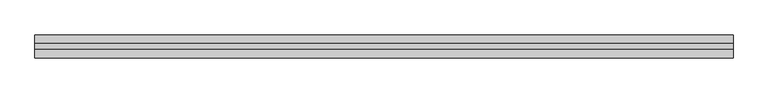
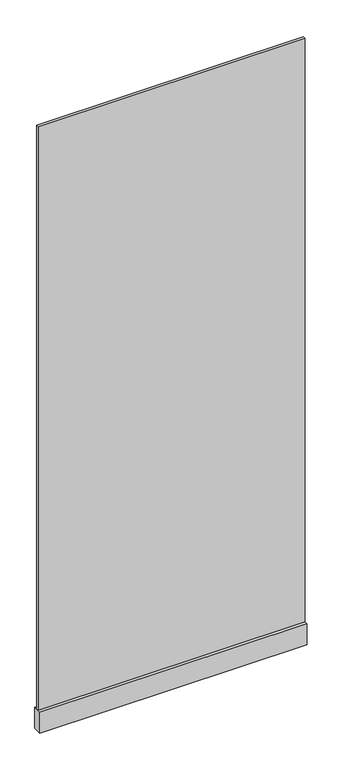
"""IFC4 building model written with IfcOpenShell, lengths in millimetres: plate geometry."""

import ifcopenshell
import ifcopenshell.guid

model = None  # the IFC model being written
_history = None  # IfcOwnerHistory: only IFC2X3 demands one
_inside = {}  # id of a spatial element -> (the spatial element, [elements in it])
_under = {}  # id of a project, library or spatial element -> (it, [spatial elements below it])
_declared = {}  # id of a project -> (the project, [libraries it declares])
_typed = {}  # id of a type object -> (the type object, [elements of that type])
_made_of = {}  # id of a material, layer set ... -> (it, [elements and type objects made of it])


def new_model(schema):
    """Start an empty IFC model of exactly this schema.

    Asked for "IFC4X3", IfcOpenShell would pick the latest addendum, in which some entities
    have other attributes; the version numbers below select the first issue.
    IFC2X3 requires an IfcOwnerHistory on every rooted entity: one is made here for all.
    """
    global model, _history
    if schema == "IFC4X3":
        model = ifcopenshell.file(schema_version=(4, 3, 0, 0))
    else:
        model = ifcopenshell.file(schema=schema)
    _inside.clear()
    _under.clear()
    _declared.clear()
    _typed.clear()
    _made_of.clear()
    _history = None
    if model.schema == "IFC2X3":
        org = make("IfcOrganization", Name="unknown")
        user = make(
            "IfcPersonAndOrganization",
            ThePerson=make("IfcPerson", FamilyName="unknown"),
            TheOrganization=org,
        )
        app = make(
            "IfcApplication",
            ApplicationDeveloper=org,
            Version="unknown",
            ApplicationFullName="unknown",
            ApplicationIdentifier="unknown",
        )
        _history = make(
            "IfcOwnerHistory",
            OwningUser=user,
            OwningApplication=app,
            ChangeAction="ADDED",
            CreationDate=0,
        )
    return model


def make(cls, **values):
    """One entity of the class cls with the attributes given. An attribute that is None is left unset."""
    return model.create_entity(
        cls, **{name: value for name, value in values.items() if value is not None}
    )


def rooted(cls, **values):
    """An entity with a GlobalId (a new one), such as an element, a storey or a relation."""
    return make(cls, GlobalId=ifcopenshell.guid.new(), OwnerHistory=_history, **values)


def si_unit(unit_type, name, prefix=None):
    """IfcSIUnit, for example si_unit("LENGTHUNIT", "METRE", prefix="MILLI")."""
    return make("IfcSIUnit", UnitType=unit_type, Prefix=prefix, Name=name)


def assignment(units):
    """IfcUnitAssignment: the units of a project."""
    return None if units is None else make("IfcUnitAssignment", Units=units)


def point(xyz):
    """IfcCartesianPoint."""
    return None if xyz is None else make("IfcCartesianPoint", Coordinates=xyz)


def direction(xyz):
    """IfcDirection."""
    return None if xyz is None else make("IfcDirection", DirectionRatios=xyz)


def frame(location, z_axis=None, x_axis=None):
    """IfcAxis2Placement3D, a coordinate frame: its origin and axes. An axis left out is left unset."""
    return make(
        "IfcAxis2Placement3D",
        Location=point(location),
        Axis=direction(z_axis),
        RefDirection=direction(x_axis),
    )


def origin():
    """The frame at (0, 0, 0) with its axes left unset."""
    return frame((0.0, 0.0, 0.0))


def origin_with_axes():
    """The frame at (0, 0, 0) with the z axis (0, 0, 1) and the x axis (1, 0, 0) written out."""
    return frame((0.0, 0.0, 0.0), z_axis=(0.0, 0.0, 1.0), x_axis=(1.0, 0.0, 0.0))


def place(relative_to, where):
    """IfcLocalPlacement: puts the frame where relative to a parent placement (None: the world)."""
    return make(
        "IfcLocalPlacement", PlacementRelTo=relative_to, RelativePlacement=where
    )


def context(
    kind, dimensions, precision=None, world=None, true_north=None, identifier=None
):
    """IfcGeometricRepresentationContext, for example the 3D "Model" context."""
    return make(
        "IfcGeometricRepresentationContext",
        ContextIdentifier=identifier,
        ContextType=kind,
        CoordinateSpaceDimension=dimensions,
        Precision=precision,
        WorldCoordinateSystem=world,
        TrueNorth=true_north,
    )


def project(units=None, contexts=None):
    """IfcProject with its units and contexts."""
    return rooted(
        "IfcProject",
        Name="project",
        RepresentationContexts=contexts,
        UnitsInContext=assignment(units),
    )


def spatial(cls, under=None, at=None, **own):
    """A site, building, storey or space (cls), placed at a placement, below another one or the project."""
    s = rooted(cls, ObjectPlacement=at, **own)
    if under is not None:
        _under.setdefault(under.id(), (under, []))[1].append(s)
    return s


def polyline(points):
    """IfcPolyline through the points."""
    return make("IfcPolyline", Points=[point(p) for p in points])


def outline(outer, holes=None, kind="AREA"):
    """IfcArbitraryClosedProfileDef: a profile drawn as a closed curve; with holes, ...WithVoids."""
    if holes is None:
        return make("IfcArbitraryClosedProfileDef", ProfileType=kind, OuterCurve=outer)
    return make(
        "IfcArbitraryProfileDefWithVoids",
        ProfileType=kind,
        OuterCurve=outer,
        InnerCurves=holes,
    )


def extrude(swept, where, along, depth):
    """IfcExtrudedAreaSolid: the profile swept, set in the frame where, extruded along a direction by depth."""
    return make(
        "IfcExtrudedAreaSolid",
        SweptArea=swept,
        Position=where,
        ExtrudedDirection=direction(along),
        Depth=depth,
    )


def shape(context_of_items, identifier, shape_type, items):
    """IfcShapeRepresentation: the items that make up one representation, for example the "Body"."""
    return make(
        "IfcShapeRepresentation",
        ContextOfItems=context_of_items,
        RepresentationIdentifier=identifier,
        RepresentationType=shape_type,
        Items=items,
    )


def source(mapping_origin, context_of_items, identifier, shape_type, items):
    """IfcRepresentationMap: a shape defined once, which mapped items show again and again."""
    return make(
        "IfcRepresentationMap",
        MappingOrigin=mapping_origin,
        MappedRepresentation=shape(context_of_items, identifier, shape_type, items),
    )


def transform(
    local_origin,
    x_axis=None,
    y_axis=None,
    z_axis=None,
    scale=None,
    scale2=None,
    scale3=None,
    uniform=True,
):
    """IfcCartesianTransformationOperator3D, or its non-uniform kind. x_axis, y_axis, z_axis: its Axis1, 2, 3."""
    if uniform:
        return make(
            "IfcCartesianTransformationOperator3D",
            Axis1=direction(x_axis),
            Axis2=direction(y_axis),
            LocalOrigin=point(local_origin),
            Scale=scale,
            Axis3=direction(z_axis),
        )
    return make(
        "IfcCartesianTransformationOperator3DnonUniform",
        Axis1=direction(x_axis),
        Axis2=direction(y_axis),
        LocalOrigin=point(local_origin),
        Scale=scale,
        Axis3=direction(z_axis),
        Scale2=scale2,
        Scale3=scale3,
    )


def mapped(mapping_source, mapping_target):
    """IfcMappedItem: shows the shape of a source again, moved by a transform."""
    return make(
        "IfcMappedItem", MappingSource=mapping_source, MappingTarget=mapping_target
    )


def made_of(thing, what):
    """Note that an element or type object is made of a material, layer set ...; save() writes the relation."""
    if what is not None:
        _made_of.setdefault(what.id(), (what, []))[1].append(thing)
    return thing


def element(
    cls,
    number,
    at=None,
    inside=None,
    cuts=None,
    type_object=None,
    material=None,
    context=None,
    identifier="Body",
    shape_type=None,
    held_by="IfcProductDefinitionShape",
    body=None,
    shapes=None,
    **own,
):
    """One element of the class cls, such as IfcWall. Its Tag is "e" and its number.

    at: its placement. inside: the storey or other place that contains it. cuts: it is an
    opening in that element (IfcRelVoidsElement). A single representation is given by context,
    identifier, shape_type and body (its items); several are given by shapes. held_by: the class
    of the entity that holds the representations. save() writes the other relations.
    """
    e = rooted(cls, Tag="e%d" % number, ObjectPlacement=at, **own)
    if body is not None:
        shapes = [shape(context, identifier, shape_type, body)]
    if shapes is not None:
        e.Representation = make(held_by, Representations=shapes)
    if inside is not None:
        _inside.setdefault(inside.id(), (inside, []))[1].append(e)
    if cuts is not None:
        rooted(
            "IfcRelVoidsElement", RelatingBuildingElement=cuts, RelatedOpeningElement=e
        )
    if type_object is not None:
        _typed.setdefault(type_object.id(), (type_object, []))[1].append(e)
    return made_of(e, material)


def aggregate(whole, parts):
    """IfcRelAggregates: a whole, such as a stair, and the parts it consists of."""
    return rooted("IfcRelAggregates", RelatingObject=whole, RelatedObjects=parts)


def save(model, path):
    """Write the relations noted so far, then the file.

    IfcRelAggregates (storeys below a building ...), IfcRelContainedInSpatialStructure (elements
    in a storey), IfcRelDefinesByType, IfcRelAssociatesMaterial and IfcRelDeclares: one each for
    every whole, place, type object, material and project.
    """
    for whole, parts in _under.values():
        aggregate(whole, parts)
    for where, things in _inside.values():
        rooted(
            "IfcRelContainedInSpatialStructure",
            RelatedElements=things,
            RelatingStructure=where,
        )
    for kind, things in _typed.values():
        rooted("IfcRelDefinesByType", RelatedObjects=things, RelatingType=kind)
    for what, things in _made_of.values():
        rooted("IfcRelAssociatesMaterial", RelatedObjects=things, RelatingMaterial=what)
    for by, libraries in _declared.values():
        rooted("IfcRelDeclares", RelatingContext=by, RelatedDefinitions=libraries)
    model.write(path)


def plate_e86bd2e7(model_context):
    return source(origin(), model_context, "Body", "SweptSolid", [
        extrude(outline(polyline([(-605.9309555, -5.0), (-605.9309555, 5.0), (605.9309555, 5.0), (605.9309555, -5.0), (-605.9309555, -5.0)])), frame((0.0, 0.0, 100.0), z_axis=(0.0, 0.0, 1.0), x_axis=(1.0, 0.0, 0.0)), (0.0, 0.0, 1.0), 2800.0),
        extrude(outline(polyline([(-605.9309555, -20.0), (-605.9309555, 20.0), (605.9309555, 20.0), (605.9309555, -20.0), (-605.9309555, -20.0)])), origin_with_axes(), (0.0, 0.0, 1.0), 100.0),
    ])


if __name__ == "__main__":
    model = new_model("IFC4")
    model_context = context("Model", 3, world=origin())
    ifc_project = project(units=[si_unit("LENGTHUNIT", "METRE", prefix="MILLI")], contexts=[model_context])
    site = spatial("IfcSite", under=ifc_project)
    building = spatial("IfcBuilding", under=site)
    placement = place(None, origin())
    plate_shape = plate_e86bd2e7(model_context)
    element("IfcPlate", 1, at=placement, inside=building, context=model_context, shape_type="MappedRepresentation", body=[
        mapped(plate_shape, transform((0.0, 0.0, 0.0), x_axis=(1.0, 0.0, 0.0), y_axis=(0.0, 1.0, 0.0), z_axis=(0.0, 0.0, 1.0))),
    ])
    save(model, "model.ifc")
